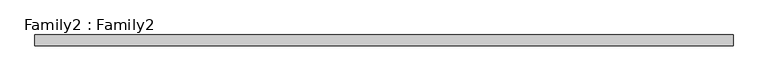
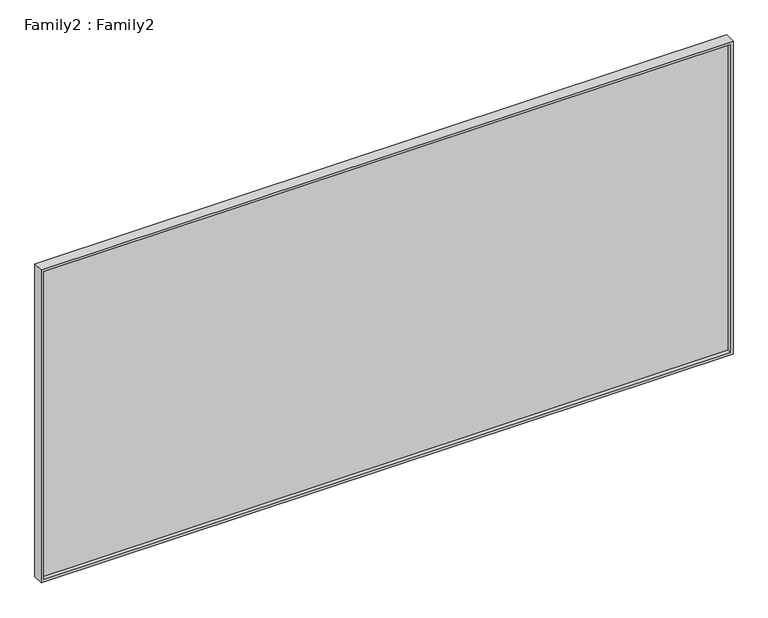
"""IFC4 building model written with IfcOpenShell, lengths in millimetres: plate geometry, Family2 : Family2."""

from ifc_helpers import new_model, si_unit, frame, origin, place, context, project, spatial, polyline, outline, extrude, source, transform, mapped, element, save


def family2_family2_edc16a73(model_context):
    return source(origin(), model_context, "Body", "SweptSolid", [
        extrude(outline(polyline([(2450.0, -2560.0), (0.0, -2560.0), (0.0, 2560.0), (2450.0, 2560.0), (2450.0, -2560.0)]), holes=[polyline([(20.0, -2540.0), (2430.0, -2540.0), (2430.0, 2540.0), (20.0, 2540.0), (20.0, -2540.0)])]), frame((0.0, -40.0, 0.0), z_axis=(0.0, 1.0, 0.0), x_axis=(0.0, 0.0, 1.0)), (0.0, 0.0, 1.0), 80.0),
        extrude(outline(polyline([(2540.0, -10.0), (-2540.0, -10.0), (-2540.0, 10.0), (2540.0, 10.0), (2540.0, -10.0)])), frame((0.0, 0.0, 20.0), z_axis=(0.0, 0.0, 1.0), x_axis=(1.0, 0.0, 0.0)), (0.0, 0.0, 1.0), 2410.0),
    ])


if __name__ == "__main__":
    model = new_model("IFC4")
    model_context = context("Model", 3, world=origin())
    ifc_project = project(units=[si_unit("LENGTHUNIT", "METRE", prefix="MILLI")], contexts=[model_context])
    site = spatial("IfcSite", under=ifc_project)
    building = spatial("IfcBuilding", under=site)
    placement = place(None, origin())
    family2_family2_shape = family2_family2_edc16a73(model_context)
    element("IfcPlate", 1, ObjectType="Family2 : Family2", at=placement, inside=building, context=model_context, shape_type="MappedRepresentation", body=[
        mapped(family2_family2_shape, transform((0.0, 0.0, 0.0), x_axis=(1.0, 0.0, 0.0), y_axis=(0.0, 1.0, 0.0), z_axis=(0.0, 0.0, 1.0))),
    ])
    save(model, "model.ifc")
